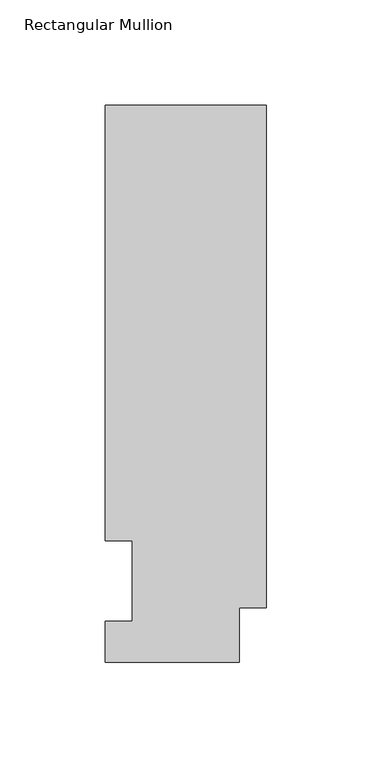
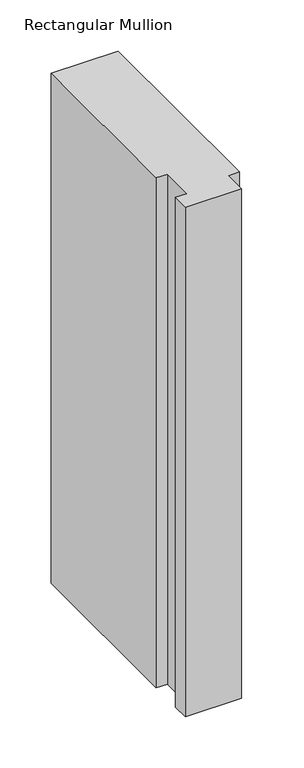
"""IFC4 building model written with IfcOpenShell, lengths in millimetres: member geometry, Rectangular Mullion."""

from ifc_helpers import new_model, si_unit, frame, origin, place, context, project, spatial, polyline, outline, extrude, source, transform, mapped, element, save


def rectangular_mullion_88504aae(model_context):
    return source(origin(), model_context, "Body", "SweptSolid", [
        extrude(outline(polyline([(0.0, 25.8960937), (-12.7, 25.8960937), (-12.7, 0.0134938), (-76.2, 0.0134938), (-76.2, 19.5460938), (-63.5127, 19.5460938), (-63.5127, 57.6460937), (-76.2, 57.6460938), (-76.2, 264.0210938), (0.0, 264.0210938), (0.0, 25.8960937)])), frame((0.0, 0.0, -609.56825), z_axis=(0.0, 0.0, 1.0), x_axis=(1.0, 0.0, 0.0)), (0.0, 0.0, 1.0), 609.56825),
    ])


if __name__ == "__main__":
    model = new_model("IFC4")
    model_context = context("Model", 3, world=origin())
    ifc_project = project(units=[si_unit("LENGTHUNIT", "METRE", prefix="MILLI")], contexts=[model_context])
    site = spatial("IfcSite", under=ifc_project)
    building = spatial("IfcBuilding", under=site)
    placement = place(None, origin())
    rectangular_mullion_shape = rectangular_mullion_88504aae(model_context)
    element("IfcMember", 1, ObjectType="Rectangular Mullion", at=placement, inside=building, context=model_context, shape_type="MappedRepresentation", body=[
        mapped(rectangular_mullion_shape, transform((0.0, 0.0, 0.0), x_axis=(1.0, 0.0, 0.0), y_axis=(0.0, 1.0, 0.0), z_axis=(0.0, 0.0, 1.0))),
    ])
    save(model, "model.ifc")
